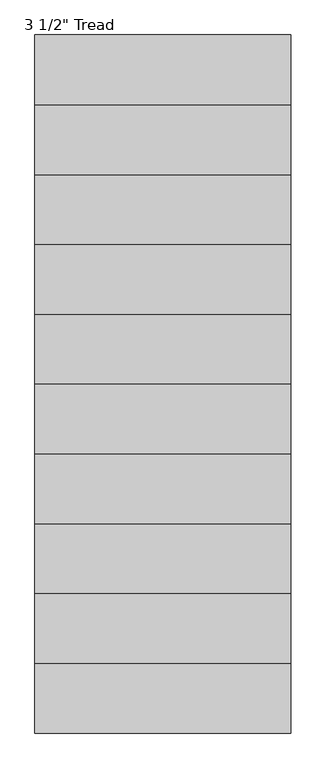
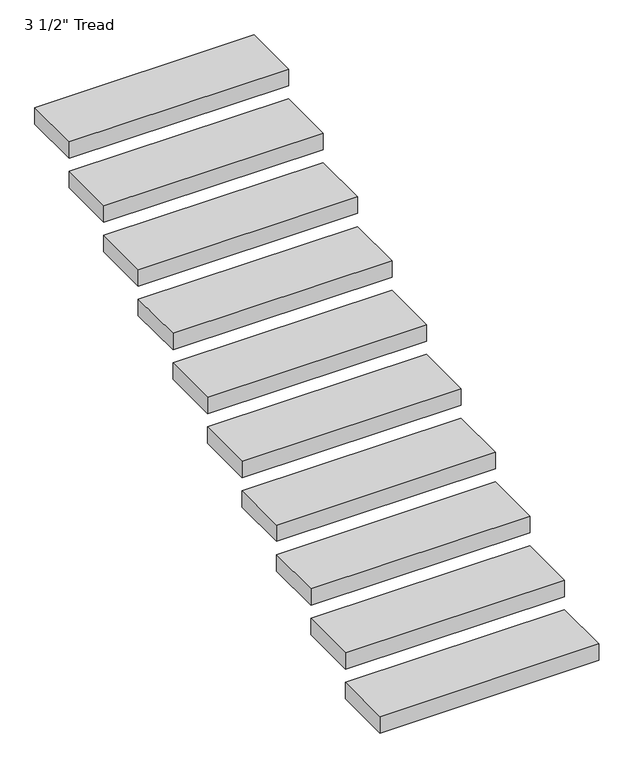
"""IFC4 building model written with IfcOpenShell, lengths in millimetres: stair flight geometry."""

from ifc_helpers import new_model, si_unit, frame, origin, place, context, project, spatial, polyline, outline, extrude, source, transform, mapped, element, save


def stair_flight_a75b2df6(model_context):
    return source(origin(), model_context, "Body", "SweptSolid", [
        extrude(outline(polyline([(-734.8461978, 7092.192245), (382.7538022, 7092.192245), (382.7538022, 6787.392245), (-734.8461978, 6787.392245), (-734.8461978, 7092.192245)])), frame((0.0, 0.0, 1823.0272727), z_axis=(0.0, 0.0, 1.0), x_axis=(1.0, 0.0, 0.0)), (0.0, 0.0, 1.0), 88.9),
        extrude(outline(polyline([(-734.8461978, 7396.992245), (382.7538022, 7396.992245), (382.7538022, 7092.192245), (-734.8461978, 7092.192245), (-734.8461978, 7396.992245)])), frame((0.0, 0.0, 1982.3545455), z_axis=(0.0, 0.0, 1.0), x_axis=(1.0, 0.0, 0.0)), (0.0, 0.0, 1.0), 88.9),
        extrude(outline(polyline([(-734.8461978, 7701.792245), (382.7538022, 7701.792245), (382.7538022, 7396.992245), (-734.8461978, 7396.992245), (-734.8461978, 7701.792245)])), frame((0.0, 0.0, 2141.6818182), z_axis=(0.0, 0.0, 1.0), x_axis=(1.0, 0.0, 0.0)), (0.0, 0.0, 1.0), 88.9),
        extrude(outline(polyline([(-734.8461978, 8006.592245), (382.7538022, 8006.592245), (382.7538022, 7701.792245), (-734.8461978, 7701.792245), (-734.8461978, 8006.592245)])), frame((0.0, 0.0, 2301.0090909), z_axis=(0.0, 0.0, 1.0), x_axis=(1.0, 0.0, 0.0)), (0.0, 0.0, 1.0), 88.9),
        extrude(outline(polyline([(-734.8461978, 8311.392245), (382.7538022, 8311.392245), (382.7538022, 8006.592245), (-734.8461978, 8006.592245), (-734.8461978, 8311.392245)])), frame((0.0, 0.0, 2460.3363636), z_axis=(0.0, 0.0, 1.0), x_axis=(1.0, 0.0, 0.0)), (0.0, 0.0, 1.0), 88.9),
        extrude(outline(polyline([(-734.8461978, 8616.192245), (382.7538022, 8616.192245), (382.7538022, 8311.392245), (-734.8461978, 8311.392245), (-734.8461978, 8616.192245)])), frame((0.0, 0.0, 2619.6636364), z_axis=(0.0, 0.0, 1.0), x_axis=(1.0, 0.0, 0.0)), (0.0, 0.0, 1.0), 88.9),
        extrude(outline(polyline([(-734.8461978, 8920.992245), (382.7538022, 8920.992245), (382.7538022, 8616.192245), (-734.8461978, 8616.192245), (-734.8461978, 8920.992245)])), frame((0.0, 0.0, 2778.9909091), z_axis=(0.0, 0.0, 1.0), x_axis=(1.0, 0.0, 0.0)), (0.0, 0.0, 1.0), 88.9),
        extrude(outline(polyline([(-734.8461978, 9225.792245), (382.7538022, 9225.792245), (382.7538022, 8920.992245), (-734.8461978, 8920.992245), (-734.8461978, 9225.792245)])), frame((0.0, 0.0, 2938.3181818), z_axis=(0.0, 0.0, 1.0), x_axis=(1.0, 0.0, 0.0)), (0.0, 0.0, 1.0), 88.9),
        extrude(outline(polyline([(-734.8461978, 9530.592245), (382.7538022, 9530.592245), (382.7538022, 9225.792245), (-734.8461978, 9225.792245), (-734.8461978, 9530.592245)])), frame((0.0, 0.0, 3097.6454545), z_axis=(0.0, 0.0, 1.0), x_axis=(1.0, 0.0, 0.0)), (0.0, 0.0, 1.0), 88.9),
        extrude(outline(polyline([(-734.8461978, 9835.392245), (382.7538022, 9835.392245), (382.7538022, 9530.592245), (-734.8461978, 9530.592245), (-734.8461978, 9835.392245)])), frame((0.0, 0.0, 3256.9727273), z_axis=(0.0, 0.0, 1.0), x_axis=(1.0, 0.0, 0.0)), (0.0, 0.0, 1.0), 88.9),
    ])


if __name__ == "__main__":
    model = new_model("IFC4")
    model_context = context("Model", 3, world=origin())
    ifc_project = project(units=[si_unit("LENGTHUNIT", "METRE", prefix="MILLI")], contexts=[model_context])
    site = spatial("IfcSite", under=ifc_project)
    building = spatial("IfcBuilding", under=site)
    placement = place(None, origin())
    stair_flight_shape = stair_flight_a75b2df6(model_context)
    element("IfcStairFlight", 1, ObjectType="3 1/2\" Tread", at=placement, inside=building, context=model_context, shape_type="MappedRepresentation", body=[
        mapped(stair_flight_shape, transform((0.0, 0.0, 0.0), x_axis=(1.0, 0.0, 0.0), y_axis=(0.0, 1.0, 0.0), z_axis=(0.0, 0.0, 1.0))),
    ])
    save(model, "model.ifc")
